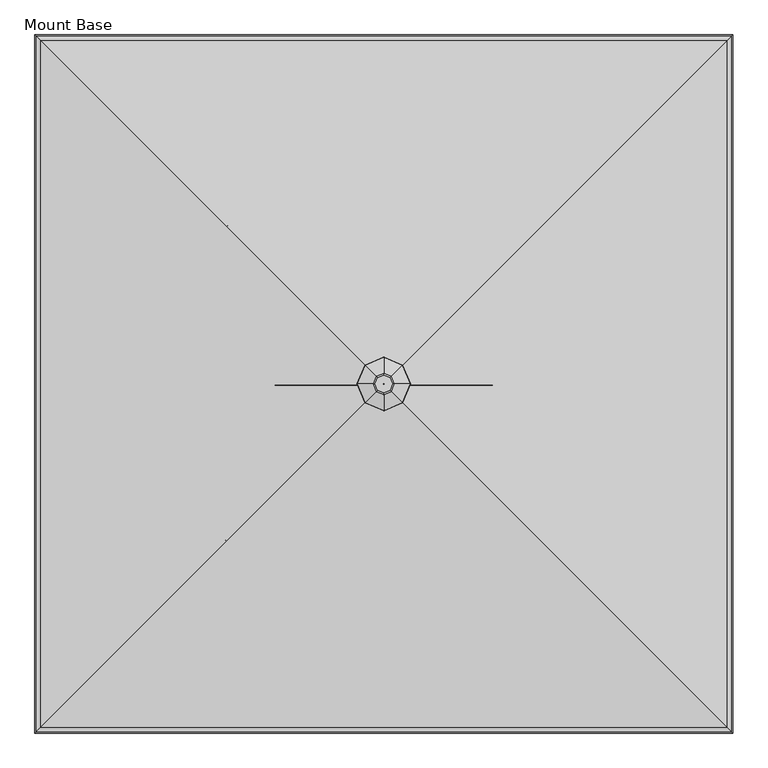
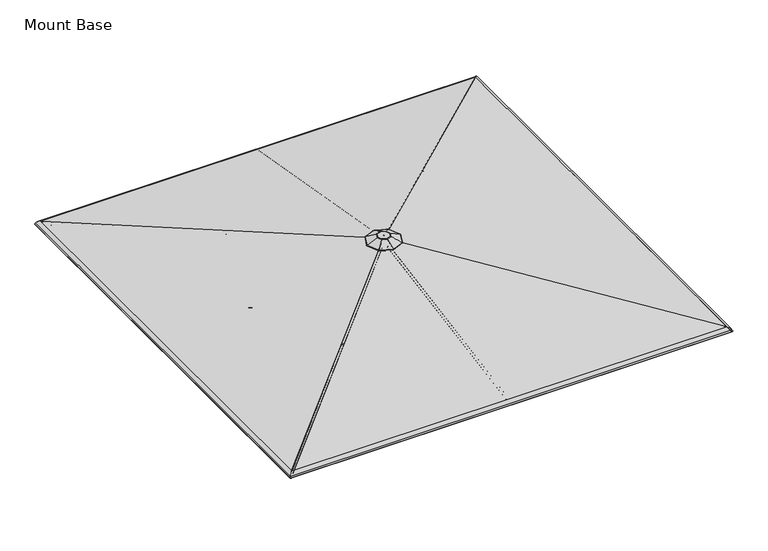
"""IFC4 building model written with IfcOpenShell, lengths in millimetres: furniture geometry, Mount Base."""

from ifc_helpers import new_model, si_unit, point, frame, frame_2d, origin, place, context, project, spatial, polyline, circle_curve, ellipse_curve, trimmed, segment, composite_curve, outline, extrude, source, transform, mapped, element, save
from ifc_brep_helpers import plane_surface, cylinder_surface, revolved_surface, advanced_brep


def mount_base_453dadfe(model_context):
    return source(origin(), model_context, "Body", "SolidModel", [
        extrude(outline(composite_curve([segment(polyline([(12.9834408, -8.4804821), (12.9834408, -22.8946348)]), True, "CONTINUOUS"), segment(trimmed(circle_curve(frame_2d((4.0299408, -22.8946348)), 8.9535), [point((12.9834408, -22.8946348))], [point((-4.9235592, -22.8946348))], False, "CARTESIAN"), True, "CONTINUOUS"), segment(polyline([(-4.9235592, -22.8946348), (-4.9235592, -8.4804821)]), True, "CONTINUOUS"), segment(trimmed(circle_curve(frame_2d((4.0299408, -8.4804821)), 8.9535), [point((-4.9235592, -8.4804821))], [point((12.9834408, -8.4804821))], False, "CARTESIAN"), True, "CONTINUOUS")], self_intersect=False)), frame((4.0299408, -59.6055274, 2259.2982868), z_axis=(0.0, -0.9628702081879168, 0.2699647424834542), x_axis=(-1.0, 0.0, 0.0)), (0.0, 0.0, 1.0), 1263.1950151),
        extrude(outline(composite_curve([segment(polyline([(12.9834408, -8.4804821), (12.9834408, -22.8946348)]), True, "CONTINUOUS"), segment(trimmed(circle_curve(frame_2d((4.0299408, -22.8946348)), 8.9535), [point((12.9834408, -22.8946348))], [point((-4.9235592, -22.8946348))], False, "CARTESIAN"), True, "CONTINUOUS"), segment(polyline([(-4.9235592, -22.8946348), (-4.9235592, -8.4804821)]), True, "CONTINUOUS"), segment(trimmed(circle_curve(frame_2d((4.0299408, -8.4804821)), 8.9535), [point((-4.9235592, -8.4804821))], [point((12.9834408, -8.4804821))], False, "CARTESIAN"), True, "CONTINUOUS")], self_intersect=False)), frame((-55.5755867, -8.0598816, 2259.2982868), z_axis=(-0.9628702081879168, 0.0, 0.2699647424834542), x_axis=(0.0, 1.0, 0.0)), (0.0, 0.0, 1.0), 1263.1950151),
        extrude(outline(composite_curve([segment(polyline([(12.9834408, -8.4804821), (12.9834408, -22.8946348)]), True, "CONTINUOUS"), segment(trimmed(circle_curve(frame_2d((4.0299408, -22.8946348)), 8.9535), [point((12.9834408, -22.8946348))], [point((-4.9235592, -22.8946348))], False, "CARTESIAN"), True, "CONTINUOUS"), segment(polyline([(-4.9235592, -22.8946348), (-4.9235592, -8.4804821)]), True, "CONTINUOUS"), segment(trimmed(circle_curve(frame_2d((4.0299408, -8.4804821)), 8.9535), [point((-4.9235592, -8.4804821))], [point((12.9834408, -8.4804821))], False, "CARTESIAN"), True, "CONTINUOUS")], self_intersect=False)), frame((-4.0299408, 51.5456459, 2259.2982868), z_axis=(0.0, 0.9628702081879168, 0.2699647424834542), x_axis=(1.0, 0.0, 0.0)), (0.0, 0.0, 1.0), 1263.1950151),
        extrude(outline(composite_curve([segment(trimmed(circle_curve(frame_2d((4.0299408, 7.3267917)), 8.9535), [point((12.9834408, 7.3267917))], [point((-4.9235592, 7.3267917))], False, "CARTESIAN"), True, "CONTINUOUS"), segment(polyline([(-4.9235592, 7.3267917), (-4.9235592, 21.7411304)]), True, "CONTINUOUS"), segment(trimmed(circle_curve(frame_2d((4.0299408, 21.7411304)), 8.9535), [point((-4.9235592, 21.7411304))], [point((12.9834408, 21.7411304))], False, "CARTESIAN"), True, "CONTINUOUS"), segment(polyline([(12.9834408, 21.7411304), (12.9834408, 7.3267917)]), True, "CONTINUOUS")], self_intersect=False)), frame((4.0299408, -1987.1148171, 2475.6924588), z_axis=(0.0, 0.9849276994863088, 0.1729665481664232), x_axis=(-1.0, 0.0, 0.0)), (0.0, 0.0, 1.0), 1958.3976179),
        extrude(outline(composite_curve([segment(trimmed(circle_curve(frame_2d((4.0299408, 7.3267917)), 8.9535), [point((12.9834408, 7.3267917))], [point((-4.9235592, 7.3267917))], False, "CARTESIAN"), True, "CONTINUOUS"), segment(polyline([(-4.9235592, 7.3267917), (-4.9235592, 21.7411304)]), True, "CONTINUOUS"), segment(trimmed(circle_curve(frame_2d((4.0299408, 21.7411304)), 8.9535), [point((-4.9235592, 21.7411304))], [point((12.9834408, 21.7411304))], False, "CARTESIAN"), True, "CONTINUOUS"), segment(polyline([(12.9834408, 21.7411304), (12.9834408, 7.3267917)]), True, "CONTINUOUS")], self_intersect=False)), frame((-1983.0848763, -8.0598816, 2475.6924588), z_axis=(0.9849276994863088, 0.0, 0.1729665481664232), x_axis=(0.0, 1.0, 0.0)), (0.0, 0.0, 1.0), 1958.3976179),
        extrude(outline(composite_curve([segment(trimmed(circle_curve(frame_2d((4.0299408, 7.3267917)), 8.9535), [point((12.9834408, 7.3267917))], [point((-4.9235592, 7.3267917))], False, "CARTESIAN"), True, "CONTINUOUS"), segment(polyline([(-4.9235592, 7.3267917), (-4.9235592, 21.7411304)]), True, "CONTINUOUS"), segment(trimmed(circle_curve(frame_2d((4.0299408, 21.7411304)), 8.9535), [point((-4.9235592, 21.7411304))], [point((12.9834408, 21.7411304))], False, "CARTESIAN"), True, "CONTINUOUS"), segment(polyline([(12.9834408, 21.7411304), (12.9834408, 7.3267917)]), True, "CONTINUOUS")], self_intersect=False)), frame((-4.0299408, 1979.0549355, 2475.6924588), z_axis=(0.0, -0.9849276994863088, 0.1729665481664232), x_axis=(1.0, 0.0, 0.0)), (0.0, 0.0, 1.0), 1958.3976179),
        extrude(outline(composite_curve([segment(trimmed(circle_curve(frame_2d((4.0299408, 7.3267917)), 8.9535), [point((12.9834408, 7.3267917))], [point((-4.9235592, 7.3267917))], False, "CARTESIAN"), True, "CONTINUOUS"), segment(polyline([(-4.9235592, 7.3267917), (-4.9235592, 21.7411304)]), True, "CONTINUOUS"), segment(trimmed(circle_curve(frame_2d((4.0299408, 21.7411304)), 8.9535), [point((-4.9235592, 21.7411304))], [point((12.9834408, 21.7411304))], False, "CARTESIAN"), True, "CONTINUOUS"), segment(polyline([(12.9834408, 21.7411304), (12.9834408, 7.3267917)]), True, "CONTINUOUS")], self_intersect=False)), frame((1983.0848763, 0.0, 2475.6924588), z_axis=(-0.9849276994863088, 0.0, 0.1729665481664232), x_axis=(0.0, -1.0, 0.0)), (0.0, 0.0, 1.0), 1958.3976179),
        extrude(outline(composite_curve([segment(polyline([(12.9834408, -8.4804821), (12.9834408, -22.8946348)]), True, "CONTINUOUS"), segment(trimmed(circle_curve(frame_2d((4.0299408, -22.8946348)), 8.9535), [point((12.9834408, -22.8946348))], [point((-4.9235592, -22.8946348))], False, "CARTESIAN"), True, "CONTINUOUS"), segment(polyline([(-4.9235592, -22.8946348), (-4.9235592, -8.4804821)]), True, "CONTINUOUS"), segment(trimmed(circle_curve(frame_2d((4.0299408, -8.4804821)), 8.9535), [point((-4.9235592, -8.4804821))], [point((12.9834408, -8.4804821))], False, "CARTESIAN"), True, "CONTINUOUS")], self_intersect=False)), frame((55.5755867, 0.0, 2259.2982868), z_axis=(0.9628702081879168, 0.0, 0.2699647424834542), x_axis=(0.0, -1.0, 0.0)), (0.0, 0.0, 1.0), 1263.1950151),
        extrude(outline(composite_curve([segment(trimmed(circle_curve(frame_2d((-0.4115857, 9.2017125)), 8.947892), [point((8.536306, 9.1998749))], [point((-9.3594775, 9.2035508))], False, "CARTESIAN"), True, "CONTINUOUS"), segment(polyline([(-9.3594775, 9.2035508), (-9.3566127, 23.1461249)]), True, "CONTINUOUS"), segment(trimmed(circle_curve(frame_2d((-0.4087216, 23.1461249)), 8.9478911), [point((-9.3566127, 23.1461249))], [point((8.5391696, 23.1457574))], False, "CARTESIAN"), True, "CONTINUOUS"), segment(polyline([(8.5391696, 23.1457574), (8.536306, 9.1998749)]), True, "CONTINUOUS")], self_intersect=False)), frame((43.1585428, -47.203831, 2259.9047905), z_axis=(0.6718267244028863, -0.6720656303125019, 0.3114107270643517), x_axis=(0.7072324735233163, 0.7069810665032634, 0.0)), (0.0, 0.0, 1.0), 1298.0805156),
        extrude(outline(composite_curve([segment(trimmed(circle_curve(frame_2d((-0.4115857, 9.2017125)), 8.947892), [point((8.5363061, 9.1998751))], [point((-9.3594775, 9.203551))], False, "CARTESIAN"), True, "CONTINUOUS"), segment(polyline([(-9.3594775, 9.203551), (-9.3566122, 23.1461249)]), True, "CONTINUOUS"), segment(trimmed(circle_curve(frame_2d((-0.4087215, 23.1461249)), 8.9478908), [point((-9.3566122, 23.1461249))], [point((8.5391693, 23.1457573))], False, "CARTESIAN"), True, "CONTINUOUS"), segment(polyline([(8.5391693, 23.1457573), (8.5363061, 9.1998751)]), True, "CONTINUOUS")], self_intersect=False)), frame((-43.1738902, -47.1884835, 2259.9047905), z_axis=(-0.6720656303125099, -0.6718267244028782, 0.3114107270643517), x_axis=(0.706981066503255, -0.7072324735233247, 0.0)), (0.0, 0.0, 1.0), 1298.0805156),
        extrude(outline(composite_curve([segment(trimmed(circle_curve(frame_2d((-0.4115858, 9.2017124)), 8.947892), [point((8.536306, 9.1998751))], [point((-9.3594776, 9.203551))], False, "CARTESIAN"), True, "CONTINUOUS"), segment(polyline([(-9.3594776, 9.203551), (-9.3566124, 23.1461249)]), True, "CONTINUOUS"), segment(trimmed(circle_curve(frame_2d((-0.4087216, 23.1461249)), 8.9478908), [point((-9.3566124, 23.1461249))], [point((8.5391692, 23.1457573))], False, "CARTESIAN"), True, "CONTINUOUS"), segment(polyline([(8.5391692, 23.1457573), (8.536306, 9.1998751)]), True, "CONTINUOUS")], self_intersect=False)), frame((-43.1585428, 39.1439494, 2259.9047905), z_axis=(-0.6718267244028835, 0.6720656303125044, 0.31141072706435163), x_axis=(-0.7072324735233191, -0.7069810665032606, 0.0)), (0.0, 0.0, 1.0), 1298.0805156),
        extrude(outline(composite_curve([segment(trimmed(circle_curve(frame_2d((-0.4115857, 9.2017125)), 8.947892), [point((8.536306, 9.1998751))], [point((-9.3594775, 9.203551))], False, "CARTESIAN"), True, "CONTINUOUS"), segment(polyline([(-9.3594775, 9.203551), (-9.3566123, 23.1461249)]), True, "CONTINUOUS"), segment(trimmed(circle_curve(frame_2d((-0.4087216, 23.1461249)), 8.9478908), [point((-9.3566123, 23.1461249))], [point((8.5391692, 23.1457573))], False, "CARTESIAN"), True, "CONTINUOUS"), segment(polyline([(8.5391692, 23.1457573), (8.536306, 9.1998751)]), True, "CONTINUOUS")], self_intersect=False)), frame((43.1738902, 39.128602, 2259.9047905), z_axis=(0.6720656303124989, 0.6718267244028892, 0.31141072706435163), x_axis=(-0.7069810665032665, 0.7072324735233132, 0.0)), (0.0, 0.0, 1.0), 1298.0805156),
        extrude(outline(composite_curve([segment(trimmed(circle_curve(frame_2d((0.0454336, -8.9661607)), 8.9535016), [point((-8.9080678, -8.9644053))], [point((8.9989351, -8.9679162))], False, "CARTESIAN"), True, "CONTINUOUS"), segment(polyline([(8.9989351, -8.9679162), (8.9961217, -23.3170803)]), True, "CONTINUOUS"), segment(trimmed(circle_curve(frame_2d((0.0426203, -23.3153248)), 8.9535016), [point((8.9961217, -23.3170803))], [point((-8.9108812, -23.3135693))], False, "CARTESIAN"), True, "CONTINUOUS"), segment(polyline([(-8.9108812, -23.3135693), (-8.9080678, -8.9644053)]), True, "CONTINUOUS")], self_intersect=False)), frame((1977.8782139, -1982.2909236, 2479.6206612), z_axis=(-0.7018853397709018, 0.7018853397709799, 0.12130102897033537), x_axis=(0.7071067811865869, 0.7071067811865083, 0.0)), (0.0, 0.0, 1.0), 2765.8331996),
        extrude(outline(composite_curve([segment(trimmed(circle_curve(frame_2d((0.0454337, -8.9661607)), 8.9535016), [point((-8.9080678, -8.9644053))], [point((8.9989351, -8.9679162))], False, "CARTESIAN"), True, "CONTINUOUS"), segment(polyline([(8.9989351, -8.9679162), (8.9961218, -23.3170803)]), True, "CONTINUOUS"), segment(trimmed(circle_curve(frame_2d((0.0426203, -23.3153248)), 8.9535016), [point((8.9961218, -23.3170803))], [point((-8.9108811, -23.3135693))], False, "CARTESIAN"), True, "CONTINUOUS"), segment(polyline([(-8.9108811, -23.3135693), (-8.9080678, -8.9644053)]), True, "CONTINUOUS")], self_intersect=False)), frame((-1978.2609828, -1981.9081546, 2479.6206612), z_axis=(0.701885339770988, 0.7018853397708935, 0.1213010289703354), x_axis=(0.7071067811864999, -0.7071067811865951, 0.0)), (0.0, 0.0, 1.0), 2765.8331996),
        extrude(outline(composite_curve([segment(trimmed(circle_curve(frame_2d((0.0454336, -8.9661607)), 8.9535016), [point((-8.9080678, -8.9644053))], [point((8.9989351, -8.9679162))], False, "CARTESIAN"), True, "CONTINUOUS"), segment(polyline([(8.9989351, -8.9679162), (8.9961217, -23.3170803)]), True, "CONTINUOUS"), segment(trimmed(circle_curve(frame_2d((0.0426202, -23.3153248)), 8.9535016), [point((8.9961217, -23.3170803))], [point((-8.9108812, -23.3135693))], False, "CARTESIAN"), True, "CONTINUOUS"), segment(polyline([(-8.9108812, -23.3135693), (-8.9080678, -8.9644053)]), True, "CONTINUOUS")], self_intersect=False)), frame((-1977.8782139, 1974.231042, 2479.6206612), z_axis=(0.7018853397708994, -0.7018853397709822, 0.1213010289703354), x_axis=(-0.7071067811865893, -0.7071067811865058, 0.0)), (0.0, 0.0, 1.0), 2765.8331996),
        extrude(outline(composite_curve([segment(trimmed(circle_curve(frame_2d((0.0454336, -8.9661607)), 8.9535016), [point((-8.9080678, -8.9644053))], [point((8.9989351, -8.9679162))], False, "CARTESIAN"), True, "CONTINUOUS"), segment(polyline([(8.9989351, -8.9679162), (8.9961217, -23.3170803)]), True, "CONTINUOUS"), segment(trimmed(circle_curve(frame_2d((0.0426203, -23.3153248)), 8.9535016), [point((8.9961217, -23.3170803))], [point((-8.9108812, -23.3135693))], False, "CARTESIAN"), True, "CONTINUOUS"), segment(polyline([(-8.9108812, -23.3135693), (-8.9080678, -8.9644053)]), True, "CONTINUOUS")], self_intersect=False)), frame((1978.2609828, 1973.8482731, 2479.6206612), z_axis=(-0.7018853397709766, -0.701885339770905, 0.12130102897033535), x_axis=(-0.7071067811865115, 0.7071067811865837, 0.0)), (0.0, 0.0, 1.0), 2765.8331996),
        advanced_brep(
        [(-40.867282, -4.0299408, 2820.0217644), (40.867282, -4.0299408, 2820.0217644), (40.867282, -4.0299408, 2283.1187105), (-40.867282, -4.0299408, 2283.1187105), (0.0, -4.0299408, 2820.0217644), (0.0, -4.0299408, 2283.1187105)],
        [
            (0, 1, circle_curve(frame((0.0, -4.0299408, 2820.0217644), z_axis=(0.0, 0.0, -1.0), x_axis=(1.0, 0.0, 0.0)), 40.867282)),
            (1, 2),
            (2, 3, circle_curve(frame((0.0, -4.0299408, 2283.1187105), z_axis=(0.0, 0.0, 1.0), x_axis=(1.0, 0.0, 0.0)), 40.867282)),
            (3, 0),
            (1, 0, circle_curve(frame((0.0, -4.0299408, 2820.0217644), z_axis=(0.0, 0.0, -1.0), x_axis=(1.0, 0.0, 0.0)), 40.867282)),
            (3, 2, circle_curve(frame((0.0, -4.0299408, 2283.1187105), z_axis=(0.0, 0.0, 1.0), x_axis=(1.0, 0.0, 0.0)), 40.867282)),
            (4, 1),
            (0, 4),
            (2, 5),
            (5, 3),
        ],
        [
            cylinder_surface(frame((0.0, -4.0299408, 3090.2909748), z_axis=(0.0, 0.0, 1.0), x_axis=(1.0, 0.0, 0.0)), 40.867282),
            plane_surface(frame((0.0, -4.0299408, 2820.0217644), z_axis=(0.0, 0.0, 1.0), x_axis=(1.0, 0.0, 0.0))),
            plane_surface(frame((0.0, -4.0299408, 2283.1187105), z_axis=(0.0, 0.0, -1.0), x_axis=(1.0, 0.0, 0.0))),
        ],
        [
            (0, [[1, 2, 3, 4]]),
            (0, [[5, -4, 6, -2]]),
            (1, [[7, -1, 8]]),
            (1, [[-8, -5, -7]]),
            (2, [[-3, 9, 10]]),
            (2, [[-6, -10, -9]]),
        ],
    ),
        advanced_brep(
        [(-58.7349315, -4.0299408, 2259.2981415), (58.7349315, -4.0299408, 2259.2981415), (51.3054317, -4.0299408, 2241.5499516), (-51.3054317, -4.0299408, 2241.5499516), (-58.7349315, -4.0299408, 2284.6981899), (58.7349315, -4.0299408, 2284.6981899), (0.0, -4.0299408, 2284.6981899), (-50.392282, -4.0299408, 2114.55), (50.392282, -4.0299408, 2114.55), (0.0, -4.0299408, 2114.55), (-58.2510683, -4.0299408, 2120.8999031), (58.2510683, -4.0299408, 2120.8999031), (-44.8554107, -4.0299408, 2241.5499516), (44.8554107, -4.0299408, 2241.5499516)],
        [
            (0, 1, circle_curve(frame((0.0, -4.0299408, 2259.2981415), z_axis=(0.0, 0.0, -1.0), x_axis=(1.0, 0.0, 0.0)), 58.7349315)),
            (1, 2, circle_curve(frame((43.6558497, -4.0299408, 2255.1812246), z_axis=(0.0, 1.0, 0.0), x_axis=(1.0, 0.0, 0.0)), 15.6309856)),
            (2, 3, circle_curve(frame((0.0, -4.0299408, 2241.5499516), z_axis=(0.0, 0.0, 1.0), x_axis=(1.0, 0.0, 0.0)), 51.3054317)),
            (3, 0, circle_curve(frame((-43.6558497, -4.0299408, 2255.1812246), z_axis=(0.0, 1.0, 0.0), x_axis=(-1.0, 0.0, 0.0)), 15.6309856)),
            (1, 0, circle_curve(frame((0.0, -4.0299408, 2259.2981415), z_axis=(0.0, 0.0, -1.0), x_axis=(1.0, 0.0, 0.0)), 58.7349315)),
            (3, 2, circle_curve(frame((0.0, -4.0299408, 2241.5499516), z_axis=(0.0, 0.0, 1.0), x_axis=(1.0, 0.0, 0.0)), 51.3054317)),
            (4, 5, circle_curve(frame((0.0, -4.0299408, 2284.6981899), z_axis=(0.0, 0.0, -1.0), x_axis=(1.0, 0.0, 0.0)), 58.7349315)),
            (5, 1, circle_curve(frame((52.8666055, -4.0299408, 2271.9981657), z_axis=(0.0, 1.0, 0.0), x_axis=(1.0, 0.0, 0.0)), 13.9902775)),
            (0, 4, circle_curve(frame((-52.8666055, -4.0299408, 2271.9981657), z_axis=(0.0, 1.0, 0.0), x_axis=(-1.0, 0.0, 0.0)), 13.9902775)),
            (5, 4, circle_curve(frame((0.0, -4.0299408, 2284.6981899), z_axis=(0.0, 0.0, -1.0), x_axis=(1.0, 0.0, 0.0)), 58.7349315)),
            (6, 5),
            (4, 6),
            (7, 8, circle_curve(frame((0.0, -4.0299408, 2114.55), z_axis=(0.0, 0.0, -1.0), x_axis=(1.0, 0.0, 0.0)), 50.392282)),
            (8, 9),
            (9, 7),
            (8, 7, circle_curve(frame((0.0, -4.0299408, 2114.55), z_axis=(0.0, 0.0, -1.0), x_axis=(1.0, 0.0, 0.0)), 50.392282)),
            (10, 11, circle_curve(frame((0.0, -4.0299408, 2120.8999031), z_axis=(0.0, 0.0, -1.0), x_axis=(1.0, 0.0, 0.0)), 58.2510683)),
            (11, 8),
            (7, 10),
            (11, 10, circle_curve(frame((0.0, -4.0299408, 2120.8999031), z_axis=(0.0, 0.0, -1.0), x_axis=(1.0, 0.0, 0.0)), 58.2510683)),
            (12, 13, circle_curve(frame((0.0, -4.0299408, 2241.5499516), z_axis=(0.0, 0.0, -1.0), x_axis=(1.0, 0.0, 0.0)), 44.8554107)),
            (13, 11),
            (10, 12),
            (13, 12, circle_curve(frame((0.0, -4.0299408, 2241.5499516), z_axis=(0.0, 0.0, -1.0), x_axis=(1.0, 0.0, 0.0)), 44.8554107)),
            (2, 13),
            (12, 3),
        ],
        [
            revolved_surface(trimmed(ellipse_curve(frame((43.6558497, -4.0299408, 2255.1812246), z_axis=(0.0, -1.0, 0.0), x_axis=(1.0, 0.0, 0.0)), 15.6309856, 15.6309856), [point((51.3054317, -4.0299408, 2241.5499516))], [point((58.7349315, -4.0299408, 2259.2981415))], True, "CARTESIAN"), (0.0, -4.0299408, 2404.1943844), (0.0, 0.0, 1.0)),
            revolved_surface(trimmed(ellipse_curve(frame((52.8666055, -4.0299408, 2271.9981657), z_axis=(0.0, -1.0, 0.0), x_axis=(1.0, 0.0, 0.0)), 13.9902775, 13.9902775), [point((58.7349315, -4.0299408, 2259.2981415))], [point((58.7349315, -4.0299408, 2284.6981899))], True, "CARTESIAN"), (0.0, -4.0299408, 2404.1943844), (0.0, 0.0, 1.0)),
            plane_surface(frame((0.0, -4.0299408, 2284.6981899), z_axis=(0.0, 0.0, 1.0), x_axis=(1.0, 0.0, 0.0))),
            plane_surface(frame((0.0, -4.0299408, 2114.55), z_axis=(0.0, 0.0, -1.0), x_axis=(1.0, 0.0, 0.0))),
            revolved_surface(polyline([(50.392282, -4.0299408, 2114.55), (58.2510683, -4.0299408, 2120.8999031)]), (0.0, -4.0299408, 2404.1943844), (0.0, 0.0, 1.0)),
            revolved_surface(polyline([(58.2510683, -4.0299408, 2120.8999031), (44.8554107, -4.0299408, 2241.5499516)]), (0.0, -4.0299408, 2404.1943844), (0.0, 0.0, 1.0)),
            plane_surface(frame((0.0, -4.0299408, 2241.5499516), z_axis=(0.0, 0.0, -1.0), x_axis=(1.0, 0.0, 0.0))),
        ],
        [
            (0, [[1, 2, 3, 4]]),
            (0, [[5, -4, 6, -2]]),
            (1, [[7, 8, -1, 9]]),
            (1, [[10, -9, -5, -8]]),
            (2, [[11, -7, 12]]),
            (2, [[-12, -10, -11]]),
            (3, [[13, 14, 15]]),
            (3, [[16, -15, -14]]),
            (4, [[17, 18, -13, 19]]),
            (4, [[20, -19, -16, -18]]),
            (5, [[21, 22, -17, 23]]),
            (5, [[24, -23, -20, -22]]),
            (6, [[-3, 25, -21, 26]]),
            (6, [[-6, -26, -24, -25]]),
        ],
    ),
        advanced_brep(
        [(-63.1096697, -4.0299408, 2819.4), (63.1096697, -4.0299408, 2819.4), (0.0, -4.0299408, 2819.4), (-63.1096697, -4.0299408, 2844.8), (63.1096697, -4.0299408, 2844.8), (0.0, -4.0299408, 2844.8)],
        [
            (0, 1, circle_curve(frame((0.0, -4.0299408, 2819.4), z_axis=(0.0, 0.0, -1.0), x_axis=(1.0, 0.0, 0.0)), 63.1096697)),
            (1, 2),
            (2, 0),
            (1, 0, circle_curve(frame((0.0, -4.0299408, 2819.4), z_axis=(0.0, 0.0, -1.0), x_axis=(1.0, 0.0, 0.0)), 63.1096697)),
            (3, 4, circle_curve(frame((0.0, -4.0299408, 2844.8), z_axis=(0.0, 0.0, -1.0), x_axis=(1.0, 0.0, 0.0)), 63.1096697)),
            (4, 1, circle_curve(frame((63.1096697, -4.0299408, 2832.1), z_axis=(0.0, 1.0, 0.0), x_axis=(1.0, 0.0, 0.0)), 12.7)),
            (0, 3, circle_curve(frame((-63.1096697, -4.0299408, 2832.1), z_axis=(0.0, 1.0, 0.0), x_axis=(-1.0, 0.0, 0.0)), 12.7)),
            (4, 3, circle_curve(frame((0.0, -4.0299408, 2844.8), z_axis=(0.0, 0.0, -1.0), x_axis=(1.0, 0.0, 0.0)), 63.1096697)),
            (5, 4),
            (3, 5),
        ],
        [
            plane_surface(frame((0.0, -4.0299408, 2819.4), z_axis=(0.0, 0.0, -1.0), x_axis=(1.0, 0.0, 0.0))),
            revolved_surface(trimmed(ellipse_curve(frame((63.1096697, -4.0299408, 2832.1), z_axis=(0.0, -1.0, 0.0), x_axis=(1.0, 0.0, 0.0)), 12.7, 12.7), [point((63.1096697, -4.0299408, 2819.4))], [point((63.1096697, -4.0299408, 2844.8))], True, "CARTESIAN"), (0.0, -4.0299408, 2876.5500484), (0.0, 0.0, 1.0)),
            plane_surface(frame((0.0, -4.0299408, 2844.8), z_axis=(0.0, 0.0, 1.0), x_axis=(1.0, 0.0, 0.0))),
        ],
        [
            (0, [[1, 2, 3]]),
            (0, [[4, -3, -2]]),
            (1, [[5, 6, -1, 7]]),
            (1, [[8, -7, -4, -6]]),
            (2, [[9, -5, 10]]),
            (2, [[-10, -8, -9]]),
        ],
    ),
        advanced_brep(
        [(51.4758641, -4.0299408, 2890.0040106), (35.9138192, 31.8838784, 2890.0040106), (0.0, 47.4459233, 2890.0040106), (-35.9138192, 31.8838784, 2890.0040106), (-51.4758641, -4.0299408, 2890.0040106), (-35.9138192, -39.94376, 2890.0040106), (0.0, -55.5058049, 2890.0040106), (35.9138192, -39.94376, 2890.0040106), (-0.2799193, -3.7500215, 2890.0040106), (0.0, -3.6287279, 2890.0040106), (0.2799193, -3.7500215, 2890.0040106), (0.4012128, -4.0299408, 2890.0040106), (0.2799193, -4.30986, 2890.0040106), (0.0, -4.4311536, 2890.0040106), (-0.2799193, -4.30986, 2890.0040106), (-0.4012128, -4.0299408, 2890.0040106), (-19.7877165, 15.7577757, 2875.4859989), (0.0, 24.3321167, 2875.4859989), (19.7877165, 15.7577757, 2875.4859989), (28.3620575, -4.0299408, 2875.4859989), (19.7877165, -23.8176572, 2875.4859989), (0.0, -32.3919982, 2875.4859989), (-19.7877165, -23.8176572, 2875.4859989), (-28.3620575, -4.0299408, 2875.4859989), (0.4012128, -4.0299408, 2875.4859989), (0.2799193, -3.7500215, 2875.4859989), (0.0, -3.6287279, 2875.4859989), (-0.2799193, -3.7500215, 2875.4859989), (-0.4012128, -4.0299408, 2875.4859989), (-0.2799193, -4.30986, 2875.4859989), (0.0, -4.4311536, 2875.4859989), (0.2799193, -4.30986, 2875.4859989), (-106.9123029, 102.8823621, 2842.561865), (-153.2391514, -4.0299408, 2842.561865), (-106.9123029, -110.9422437, 2842.561865), (0.0, -157.2690921, 2842.561865), (106.9123029, -110.9422437, 2842.561865), (153.2391514, -4.0299408, 2842.561865), (106.9123029, 102.8823621, 2842.561865), (0.0, 149.2092106, 2842.561865), (-107.6793415, 103.6494007, 2845.1373362), (-154.3385603, -4.0299408, 2845.1373362), (-43.6579551, 39.6280143, 2887.5822171), (-62.5756606, -4.0299408, 2887.5822171), (-107.6793415, -111.7092823, 2845.1373362), (-43.6579551, -47.6878958, 2887.5822171), (0.0, -158.3685011, 2845.1373362), (0.0, -66.6056014, 2887.5822171), (107.6793415, -111.7092823, 2845.1373362), (43.6579551, -47.6878958, 2887.5822171), (154.3385603, -4.0299408, 2845.1373362), (62.5756606, -4.0299408, 2887.5822171), (107.6793415, 103.6494007, 2845.1373362), (43.6579551, 39.6280143, 2887.5822171), (0.0, 150.3086195, 2845.1373362), (0.0, 58.5457199, 2887.5822171)],
        [
            (0, 1),
            (1, 2),
            (2, 3),
            (3, 4),
            (4, 5),
            (5, 6),
            (6, 7),
            (7, 0),
            (8, 9),
            (9, 10),
            (10, 11),
            (11, 12),
            (12, 13),
            (13, 14),
            (14, 15),
            (15, 8),
            (16, 17),
            (17, 18),
            (18, 19),
            (19, 20),
            (20, 21),
            (21, 22),
            (22, 23),
            (23, 16),
            (24, 25),
            (25, 26),
            (26, 27),
            (27, 28),
            (28, 29),
            (29, 30),
            (30, 31),
            (31, 24),
            (27, 8),
            (15, 28),
            (14, 29),
            (13, 30),
            (12, 31),
            (11, 24),
            (10, 25),
            (9, 26),
            (32, 16),
            (23, 33),
            (33, 32),
            (22, 34),
            (34, 33),
            (21, 35),
            (35, 34),
            (20, 36),
            (36, 35),
            (19, 37),
            (37, 36),
            (18, 38),
            (38, 37),
            (17, 39),
            (39, 38),
            (32, 39),
            (40, 32, ellipse_curve(frame((-107.203988, 103.1740472, 2843.8969069), z_axis=(-0.7071067811865479, -0.707106781186547, 0.0), x_axis=(-0.7071067811865467, 0.7071067811865482, 0.0)), 1.4936871, 1.3890625)),
            (33, 41, ellipse_curve(frame((-153.6572284, -4.0299408, 2843.8969069), z_axis=(0.0, 0.9999999999999999, 0.0), x_axis=(1.0, 0.0, 0.0)), 1.5138634, 1.3890625)),
            (41, 40),
            (42, 40),
            (41, 43),
            (43, 42),
            (3, 42, ellipse_curve(frame((-35.9138192, 31.8838784, 2867.3773723), z_axis=(-0.7071067811865479, -0.707106781186547, 0.0), x_axis=(-0.7071067811865467, 0.7071067811865483, 0.0)), 24.3308838, 22.6266383)),
            (43, 4, ellipse_curve(frame((-51.4758641, -4.0299408, 2867.3773723), z_axis=(0.0, 0.9999999999999999, 0.0), x_axis=(1.0, 0.0, 0.0)), 24.6595383, 22.6266383)),
            (34, 44, ellipse_curve(frame((-107.203988, -111.2339288, 2843.8969069), z_axis=(-0.707106781186547, 0.707106781186548, 0.0), x_axis=(0.7071067811865479, 0.707106781186547, 0.0)), 1.4936871, 1.3890625)),
            (44, 41),
            (44, 45),
            (45, 43),
            (45, 5, ellipse_curve(frame((-35.9138192, -39.94376, 2867.3773723), z_axis=(-0.707106781186547, 0.707106781186548, 0.0), x_axis=(0.7071067811865479, 0.707106781186547, 0.0)), 24.3308838, 22.6266383)),
            (35, 46, ellipse_curve(frame((0.0, -157.6871692, 2843.8969069), z_axis=(-0.9999999999999999, 0.0, 0.0), x_axis=(0.0, 1.0, 0.0)), 1.5138634, 1.3890625)),
            (46, 44),
            (46, 47),
            (47, 45),
            (47, 6, ellipse_curve(frame((0.0, -55.5058049, 2867.3773723), z_axis=(-0.9999999999999999, 0.0, 0.0), x_axis=(0.0, 1.0, 0.0)), 24.6595383, 22.6266383)),
            (36, 48, ellipse_curve(frame((107.203988, -111.2339288, 2843.8969069), z_axis=(-0.707106781186548, -0.707106781186547, 0.0), x_axis=(-0.7071067811865469, 0.7071067811865481, 0.0)), 1.4936871, 1.3890625)),
            (48, 46),
            (48, 49),
            (49, 47),
            (49, 7, ellipse_curve(frame((35.9138192, -39.94376, 2867.3773723), z_axis=(-0.707106781186548, -0.707106781186547, 0.0), x_axis=(-0.7071067811865469, 0.7071067811865481, 0.0)), 24.3308838, 22.6266383)),
            (37, 50, ellipse_curve(frame((153.6572284, -4.0299408, 2843.8969069), z_axis=(0.0, -1.0, 0.0), x_axis=(-1.0, 0.0, 0.0)), 1.5138634, 1.3890625)),
            (50, 48),
            (50, 51),
            (51, 49),
            (51, 0, ellipse_curve(frame((51.4758641, -4.0299408, 2867.3773723), z_axis=(0.0, -1.0, 0.0), x_axis=(-1.0, 0.0, 0.0)), 24.6595383, 22.6266383)),
            (38, 52, ellipse_curve(frame((107.203988, 103.1740472, 2843.8969069), z_axis=(0.707106781186547, -0.707106781186548, 0.0), x_axis=(-0.7071067811865478, -0.7071067811865471, 0.0)), 1.4936871, 1.3890625)),
            (52, 50),
            (52, 53),
            (53, 51),
            (53, 1, ellipse_curve(frame((35.9138192, 31.8838784, 2867.3773723), z_axis=(0.707106781186547, -0.707106781186548, 0.0), x_axis=(-0.7071067811865478, -0.7071067811865471, 0.0)), 24.3308838, 22.6266383)),
            (39, 54, ellipse_curve(frame((0.0, 149.6272876, 2843.8969069), z_axis=(0.9999999999999999, 0.0, 0.0), x_axis=(0.0, -1.0, 0.0)), 1.5138634, 1.3890625)),
            (54, 52),
            (54, 55),
            (55, 53),
            (55, 2, ellipse_curve(frame((0.0, 47.4459233, 2867.3773723), z_axis=(0.9999999999999999, 0.0, 0.0), x_axis=(0.0, -1.0, 0.0)), 24.6595383, 22.6266383)),
            (40, 54),
            (42, 55),
        ],
        [
            plane_surface(frame((0.0, 47.4459233, 2890.0040106), z_axis=(0.0, 0.0, 1.0), x_axis=(-0.9175613115760063, -0.3975943152246006, 0.0))),
            plane_surface(frame((0.0, -3.6287279, 2875.4859989), z_axis=(0.0, 0.0, -1.0), x_axis=(-0.9175613115759825, -0.39759431522465544, 0.0))),
            plane_surface(frame((-0.2799193, -3.7500215, 2890.0040106), z_axis=(0.9175613115760287, -0.39759431522454897, 0.0), x_axis=(-0.39759431522454897, -0.9175613115760287, 0.0))),
            plane_surface(frame((-0.4012128, -4.0299408, 2890.0040106), z_axis=(0.9175613115760101, 0.39759431522459215, 0.0), x_axis=(0.39759431522459215, -0.9175613115760101, 0.0))),
            plane_surface(frame((-0.2799193, -4.30986, 2890.0040106), z_axis=(0.3975943152246027, 0.9175613115760054, 0.0), x_axis=(0.9175613115760054, -0.3975943152246027, 0.0))),
            plane_surface(frame((0.0, -4.4311536, 2890.0040106), z_axis=(-0.39759431522465355, 0.9175613115759834, 0.0), x_axis=(0.9175613115759834, 0.39759431522465355, 0.0))),
            plane_surface(frame((0.2799193, -4.30986, 2890.0040106), z_axis=(-0.9175613115760223, 0.3975943152245637, 0.0), x_axis=(0.3975943152245637, 0.9175613115760223, 0.0))),
            plane_surface(frame((0.4012128, -4.0299408, 2890.0040106), z_axis=(-0.9175613115760138, -0.39759431522458333, 0.0), x_axis=(-0.39759431522458333, 0.9175613115760138, 0.0))),
            plane_surface(frame((0.2799193, -3.7500215, 2890.0040106), z_axis=(-0.3975943152245585, -0.9175613115760246, 0.0), x_axis=(-0.9175613115760246, 0.3975943152245585, 0.0))),
            plane_surface(frame((0.0, -3.6287279, 2890.0040106), z_axis=(0.3975943152246166, -0.9175613115759995, 0.0), x_axis=(-0.9175613115759995, -0.3975943152246166, 0.0))),
            plane_surface(frame((-19.7877165, 15.7577757, 2875.4859989), z_axis=(0.2533988855278373, -0.10980187928485077, -0.961110062437578), x_axis=(-0.3975943152246025, -0.9175613115760055, 0.0))),
            plane_surface(frame((-28.3620575, -4.0299408, 2875.4859989), z_axis=(0.25339888552783774, 0.1098018792848499, -0.9611100624375779), x_axis=(0.39759431522459926, -0.9175613115760068, 0.0))),
            plane_surface(frame((-19.7877165, -23.8176572, 2875.4859989), z_axis=(0.10980187928485048, 0.2533988855278374, -0.961110062437578), x_axis=(0.917561311576006, -0.3975943152246014, 0.0))),
            plane_surface(frame((0.0, -32.3919982, 2875.4859989), z_axis=(-0.10980187928485045, 0.2533988855278375, -0.9611100624375782), x_axis=(0.9175613115760062, 0.39759431522460126, 0.0))),
            plane_surface(frame((19.7877165, -23.8176572, 2875.4859989), z_axis=(-0.2533988855278373, 0.109801879284851, -0.9611100624375779), x_axis=(0.3975943152246032, 0.9175613115760052, 0.0))),
            plane_surface(frame((28.3620575, -4.0299408, 2875.4859989), z_axis=(-0.25339888552783757, -0.10980187928485018, -0.961110062437578), x_axis=(-0.3975943152246003, 0.9175613115760065, 0.0))),
            plane_surface(frame((19.7877165, 15.7577757, 2875.4859989), z_axis=(-0.10980187928485058, -0.2533988855278374, -0.9611100624375781), x_axis=(-0.917561311576006, 0.39759431522460176, 0.0))),
            plane_surface(frame((0.0, 24.3321167, 2875.4859989), z_axis=(0.1098018792848505, -0.2533988855278374, -0.9611100624375781), x_axis=(-0.917561311576006, -0.39759431522460154, 0.0))),
            cylinder_surface(frame((-107.3260139, 102.892438, 2843.8969069), z_axis=(0.3975943152246023, 0.9175613115760056, 0.0), x_axis=(0.9175613115760056, -0.3975943152246023, 0.0)), 1.3890625),
            plane_surface(frame((-107.6793415, 103.6494007, 2845.1373362), z_axis=(-0.4130359930210966, 0.1789752474701297, 0.8929552784222079), x_axis=(-0.39759431522460226, -0.9175613115760056, 0.0))),
            cylinder_surface(frame((-21.2976063, 65.6149227, 2867.3773723), z_axis=(0.39759431522460237, 0.9175613115760056, 0.0), x_axis=(0.9175613115760056, -0.39759431522460237, 0.0)), 22.6266383),
            cylinder_surface(frame((-153.5234893, -4.3385816, 2843.8969069), z_axis=(-0.39759431522459965, 0.9175613115760068, 0.0), x_axis=(0.9175613115760068, 0.39759431522459965, 0.0)), 1.3890625),
            plane_surface(frame((-154.3385603, -4.0299408, 2845.1373362), z_axis=(-0.4130359930210971, -0.1789752474701285, 0.8929552784222078), x_axis=(0.39759431522459965, -0.9175613115760067, 0.0))),
            cylinder_surface(frame((-67.4950817, 32.9389337, 2867.3773723), z_axis=(-0.39759431522459965, 0.9175613115760068, 0.0), x_axis=(0.9175613115760068, 0.39759431522459965, 0.0)), 22.6266383),
            cylinder_surface(frame((-106.9223788, -111.3559546, 2843.8969069), z_axis=(-0.9175613115760063, 0.3975943152246009, 0.0), x_axis=(0.3975943152246009, 0.9175613115760063, 0.0)), 1.3890625),
            plane_surface(frame((-107.6793415, -111.7092823, 2845.1373362), z_axis=(-0.17897524747012897, -0.4130359930210967, 0.8929552784222078), x_axis=(0.9175613115760062, -0.3975943152246008, 0.0))),
            cylinder_surface(frame((-69.6448635, -25.3275471, 2867.3773723), z_axis=(-0.9175613115760063, 0.3975943152246009, 0.0), x_axis=(0.3975943152246009, 0.9175613115760063, 0.0)), 22.6266383),
            cylinder_surface(frame((0.3086408, -157.5534301, 2843.8969069), z_axis=(-0.9175613115760062, -0.3975943152246011, 0.0), x_axis=(-0.3975943152246011, 0.9175613115760062, 0.0)), 1.3890625),
            plane_surface(frame((0.0, -158.3685011, 2845.1373362), z_axis=(0.17897524747012913, -0.41303599302109667, 0.8929552784222079), x_axis=(0.9175613115760061, 0.3975943152246012, 0.0))),
            cylinder_surface(frame((-36.9688745, -71.5250225, 2867.3773723), z_axis=(-0.9175613115760062, -0.3975943152246011, 0.0), x_axis=(-0.3975943152246011, 0.9175613115760062, 0.0)), 22.6266383),
            cylinder_surface(frame((107.3260139, -110.9523195, 2843.8969069), z_axis=(-0.3975943152246023, -0.9175613115760057, 0.0), x_axis=(-0.9175613115760057, 0.3975943152246023, 0.0)), 1.3890625),
            plane_surface(frame((107.6793415, -111.7092823, 2845.1373362), z_axis=(0.41303599302109645, -0.1789752474701296, 0.8929552784222079), x_axis=(0.39759431522460226, 0.9175613115760056, 0.0))),
            cylinder_surface(frame((21.2976063, -73.6748043, 2867.3773723), z_axis=(-0.3975943152246023, -0.9175613115760057, 0.0), x_axis=(-0.9175613115760057, 0.3975943152246023, 0.0)), 22.6266383),
            cylinder_surface(frame((153.5234893, -3.7213, 2843.8969069), z_axis=(0.39759431522459965, -0.9175613115760066, 0.0), x_axis=(-0.9175613115760066, -0.39759431522459965, 0.0)), 1.3890625),
            plane_surface(frame((154.3385603, -4.0299408, 2845.1373362), z_axis=(0.4130359930210969, 0.1789752474701285, 0.8929552784222079), x_axis=(-0.3975943152245998, 0.9175613115760067, 0.0))),
            cylinder_surface(frame((67.4950817, -40.9988153, 2867.3773723), z_axis=(0.39759431522459965, -0.9175613115760066, 0.0), x_axis=(-0.9175613115760066, -0.39759431522459965, 0.0)), 22.6266383),
            cylinder_surface(frame((106.9223788, 103.2960731, 2843.8969069), z_axis=(0.9175613115760062, -0.3975943152246008, 0.0), x_axis=(-0.3975943152246008, -0.9175613115760062, 0.0)), 1.3890625),
            plane_surface(frame((107.6793415, 103.6494007, 2845.1373362), z_axis=(0.17897524747012897, 0.41303599302109656, 0.892955278422208), x_axis=(-0.9175613115760062, 0.397594315224601, 0.0))),
            cylinder_surface(frame((69.6448635, 17.2676655, 2867.3773723), z_axis=(0.9175613115760062, -0.3975943152246008, 0.0), x_axis=(-0.3975943152246008, -0.9175613115760062, 0.0)), 22.6266383),
            cylinder_surface(frame((-0.3086408, 149.4935485, 2843.8969069), z_axis=(0.9175613115760061, 0.39759431522460115, 0.0), x_axis=(0.39759431522460115, -0.9175613115760061, 0.0)), 1.3890625),
            plane_surface(frame((0.0, 150.3086195, 2845.1373362), z_axis=(-0.17897524747012894, 0.41303599302109656, 0.8929552784222079), x_axis=(-0.9175613115760062, -0.3975943152246009, 0.0))),
            cylinder_surface(frame((36.9688745, 63.4651409, 2867.3773723), z_axis=(0.9175613115760061, 0.39759431522460115, 0.0), x_axis=(0.39759431522460115, -0.9175613115760061, 0.0)), 22.6266383),
        ],
        [
            (0, [[1, 2, 3, 4, 5, 6, 7, 8], [9, 10, 11, 12, 13, 14, 15, 16]]),
            (1, [[17, 18, 19, 20, 21, 22, 23, 24], [25, 26, 27, 28, 29, 30, 31, 32]]),
            (2, [[33, -16, 34, -28]]),
            (3, [[-34, -15, 35, -29]]),
            (4, [[-35, -14, 36, -30]]),
            (5, [[-36, -13, 37, -31]]),
            (6, [[-37, -12, 38, -32]]),
            (7, [[-38, -11, 39, -25]]),
            (8, [[-39, -10, 40, -26]]),
            (9, [[-40, -9, -33, -27]]),
            (10, [[41, -24, 42, 43]]),
            (11, [[-42, -23, 44, 45]]),
            (12, [[-44, -22, 46, 47]]),
            (13, [[-46, -21, 48, 49]]),
            (14, [[-48, -20, 50, 51]]),
            (15, [[-50, -19, 52, 53]]),
            (16, [[-52, -18, 54, 55]]),
            (17, [[-54, -17, -41, 56]]),
            (18, [[57, -43, 58, 59]]),
            (19, [[60, -59, 61, 62]]),
            (20, [[63, -62, 64, -4]]),
            (21, [[-58, -45, 65, 66]]),
            (22, [[-61, -66, 67, 68]]),
            (23, [[-64, -68, 69, -5]]),
            (24, [[-65, -47, 70, 71]]),
            (25, [[-67, -71, 72, 73]]),
            (26, [[-69, -73, 74, -6]]),
            (27, [[-70, -49, 75, 76]]),
            (28, [[-72, -76, 77, 78]]),
            (29, [[-74, -78, 79, -7]]),
            (30, [[-75, -51, 80, 81]]),
            (31, [[-77, -81, 82, 83]]),
            (32, [[-79, -83, 84, -8]]),
            (33, [[-80, -53, 85, 86]]),
            (34, [[-82, -86, 87, 88]]),
            (35, [[-84, -88, 89, -1]]),
            (36, [[-85, -55, 90, 91]]),
            (37, [[-87, -91, 92, 93]]),
            (38, [[-89, -93, 94, -2]]),
            (39, [[-90, -56, -57, 95]]),
            (40, [[-92, -95, -60, 96]]),
            (41, [[-94, -96, -63, -3]]),
        ],
    ),
        advanced_brep(
        [(2018.5286889, 2014.3096231, 2474.2416479), (2015.7156102, 2011.4965443, 2494.1688478), (2015.7156102, -2019.5564259, 2494.1688478), (2018.5286889, -2022.3695047, 2474.2416479), (2014.1371368, 2009.918071, 2475.4846027), (2014.1371368, -2017.9779525, 2475.4846027), (2011.8397444, 2007.6206785, 2491.7587998), (2011.8397444, -2015.6805601, 2491.7587998), (0.6664243, -3.5526416, 2852.66556), (0.6664243, -3.5526416, 2848.1014975), (0.6664243, -4.50724, 2848.1014975), (0.6664243, -4.50724, 2852.66556), (-2018.5286889, -2022.3695047, 2474.2416479), (-2014.1371368, -2017.9779525, 2475.4846027), (-2011.8397444, -2015.6805601, 2491.7587998), (1984.6456555, -1988.4864712, 2510.1213477), (-1984.6456555, -1988.4864712, 2510.1213477), (54.34161, -58.1824257, 2848.1014975), (-54.34161, -58.1824257, 2848.1014975), (-0.6664243, -4.50724, 2848.1014975), (-0.6664243, -4.50724, 2852.66556), (1985.43281, -1989.2736257, 2514.6170183), (54.7381583, -58.578974, 2852.66556), (-54.7381583, -58.578974, 2852.66556), (-1985.43281, -1989.2736257, 2514.6170183), (-2015.7156102, -2019.5564259, 2494.1688478), (-2018.5286889, 2014.3096231, 2474.2416479), (-2014.1371368, 2009.918071, 2475.4846027), (-2011.8397444, 2007.6206785, 2491.7587998), (-1984.6456555, 1980.4265897, 2510.1213477), (-54.34161, 50.1225441, 2848.1014975), (-0.6664243, -3.5526416, 2848.1014975), (-0.6664243, -3.5526416, 2852.66556), (-54.7381583, 50.5190925, 2852.66556), (-1985.43281, 1981.2137441, 2514.6170183), (-2015.7156102, 2011.4965443, 2494.1688478), (1984.6456555, 1980.4265897, 2510.1213477), (54.34161, 50.1225441, 2848.1014975), (54.7381583, 50.5190925, 2852.66556), (1985.43281, 1981.2137441, 2514.6170183)],
        [
            (0, 1, ellipse_curve(frame((1994.5726879, 1990.353622, 2481.0219901), z_axis=(0.707106781186548, -0.707106781186547, 0.0), x_axis=(0.707106781186547, 0.707106781186548, 0.0)), 35.2097438, 24.8970486)),
            (1, 2),
            (2, 3, ellipse_curve(frame((1994.5726879, -1998.4135036, 2481.0219901), z_axis=(0.7071067811865493, 0.7071067811865456, 0.0), x_axis=(-0.7071067811865455, 0.7071067811865496, 0.0)), 35.2097438, 24.8970486)),
            (3, 0),
            (4, 0, ellipse_curve(frame((2016.3329129, 2012.113847, 2474.8631253), z_axis=(0.707106781186548, -0.707106781186547, 0.0), x_axis=(0.707106781186547, 0.707106781186548, 0.0)), 3.2272795, 2.2820312)),
            (3, 5, ellipse_curve(frame((2016.3329129, -2020.1737286, 2474.8631253), z_axis=(0.7071067811865493, 0.7071067811865456, 0.0), x_axis=(-0.7071067811865455, 0.7071067811865496, 0.0)), 3.2272795, 2.2820312)),
            (5, 4),
            (6, 4, ellipse_curve(frame((1994.5726879, 1990.353622, 2481.0219901), z_axis=(-0.707106781186548, 0.707106781186547, 0.0), x_axis=(-0.707106781186547, -0.707106781186548, 0.0)), 28.7551847, 20.3329861)),
            (5, 7, ellipse_curve(frame((1994.5726879, -1998.4135036, 2481.0219901), z_axis=(-0.7071067811865493, -0.7071067811865456, 0.0), x_axis=(0.7071067811865455, -0.7071067811865496, 0.0)), 28.7551847, 20.3329861)),
            (7, 6),
            (8, 9),
            (9, 10),
            (10, 11),
            (11, 8),
            (3, 12),
            (12, 13, ellipse_curve(frame((-2016.3329129, -2020.1737286, 2474.8631253), z_axis=(0.7071067811865468, -0.7071067811865482, 0.0), x_axis=(0.7071067811865482, 0.7071067811865468, 0.0)), 3.2272795, 2.2820312)),
            (13, 5),
            (13, 14, ellipse_curve(frame((-1994.5726879, -1998.4135036, 2481.0219901), z_axis=(-0.7071067811865468, 0.7071067811865482, 0.0), x_axis=(-0.7071067811865482, -0.7071067811865468, 0.0)), 28.7551847, 20.3329861)),
            (14, 7),
            (15, 7, ellipse_curve(frame((1977.7152739, -1981.5560896, 2470.5398998), z_axis=(0.7071067811865493, 0.7071067811865456, 0.0), x_axis=(-0.7071067811865458, 0.7071067811865492, 0.0)), 56.8281833, 40.1835938)),
            (14, 16, ellipse_curve(frame((-1977.7152739, -1981.5560896, 2470.5398998), z_axis=(-0.7071067811865468, 0.7071067811865482, 0.0), x_axis=(-0.7071067811865482, -0.7071067811865468, 0.0)), 56.8281833, 40.1835938)),
            (16, 15),
            (17, 15),
            (16, 18),
            (18, 17),
            (10, 19),
            (19, 20),
            (20, 11),
            (21, 22),
            (22, 23),
            (23, 24),
            (24, 21),
            (2, 21, ellipse_curve(frame((1977.7152739, -1981.5560896, 2470.5398998), z_axis=(-0.7071067811865493, -0.7071067811865456, 0.0), x_axis=(0.7071067811865458, -0.7071067811865492, 0.0)), 63.2827424, 44.7476563)),
            (24, 25, ellipse_curve(frame((-1977.7152739, -1981.5560896, 2470.5398998), z_axis=(0.7071067811865468, -0.7071067811865482, 0.0), x_axis=(0.7071067811865482, 0.7071067811865468, 0.0)), 63.2827424, 44.7476563)),
            (25, 2),
            (25, 12, ellipse_curve(frame((-1994.5726879, -1998.4135036, 2481.0219901), z_axis=(0.7071067811865468, -0.7071067811865482, 0.0), x_axis=(0.7071067811865482, 0.7071067811865468, 0.0)), 35.2097438, 24.8970486)),
            (12, 26),
            (26, 27, ellipse_curve(frame((-2016.3329129, 2012.113847, 2474.8631253), z_axis=(-0.7071067811865459, -0.7071067811865491, 0.0), x_axis=(0.7071067811865491, -0.7071067811865458, 0.0)), 3.2272795, 2.2820312)),
            (27, 13),
            (27, 28, ellipse_curve(frame((-1994.5726879, 1990.353622, 2481.0219901), z_axis=(0.7071067811865459, 0.7071067811865491, 0.0), x_axis=(-0.7071067811865491, 0.7071067811865458, 0.0)), 28.7551847, 20.3329861)),
            (28, 14),
            (28, 29, ellipse_curve(frame((-1977.7152739, 1973.496208, 2470.5398998), z_axis=(0.7071067811865459, 0.7071067811865491, 0.0), x_axis=(-0.7071067811865491, 0.7071067811865458, 0.0)), 56.8281833, 40.1835938)),
            (29, 16),
            (29, 30),
            (30, 18),
            (19, 31),
            (31, 32),
            (32, 20),
            (23, 33),
            (33, 34),
            (34, 24),
            (34, 35, ellipse_curve(frame((-1977.7152739, 1973.496208, 2470.5398998), z_axis=(-0.7071067811865459, -0.7071067811865491, 0.0), x_axis=(0.7071067811865491, -0.7071067811865458, 0.0)), 63.2827424, 44.7476563)),
            (35, 25),
            (35, 26, ellipse_curve(frame((-1994.5726879, 1990.353622, 2481.0219901), z_axis=(-0.7071067811865459, -0.7071067811865491, 0.0), x_axis=(0.7071067811865491, -0.7071067811865458, 0.0)), 35.2097438, 24.8970486)),
            (26, 0),
            (4, 27),
            (6, 28),
            (6, 36, ellipse_curve(frame((1977.7152739, 1973.496208, 2470.5398998), z_axis=(0.707106781186548, -0.707106781186547, 0.0), x_axis=(0.707106781186547, 0.707106781186548, 0.0)), 56.8281833, 40.1835938)),
            (36, 29),
            (36, 37),
            (37, 30),
            (37, 17),
            (9, 31),
            (8, 32),
            (38, 33),
            (22, 38),
            (38, 39),
            (39, 34),
            (39, 1, ellipse_curve(frame((1977.7152739, 1973.496208, 2470.5398998), z_axis=(-0.707106781186548, 0.707106781186547, 0.0), x_axis=(-0.707106781186547, -0.707106781186548, 0.0)), 63.2827424, 44.7476563)),
            (1, 35),
            (15, 36),
            (21, 39),
        ],
        [
            cylinder_surface(frame((1994.5726879, 2022.953309, 2481.0219901), z_axis=(0.0, 1.0, 0.0), x_axis=(1.0, 0.0, 0.0)), 24.8970486),
            cylinder_surface(frame((2016.3329129, 2022.953309, 2474.8631253), z_axis=(0.0, 1.0, 0.0), x_axis=(1.0, 0.0, 0.0)), 2.2820312),
            revolved_surface(polyline([(2014.9056739999999, -2018.7464896956421, 2481.0219901), (2014.9056739999999, 2010.6866080956418, 2481.0219901)]), (1994.5726879, 2022.953309, 2481.0219901), (0.0, -1.0, 0.0)),
            plane_surface(frame((0.6664243, -3.5526416, 2848.1014975), z_axis=(-1.0, 0.0, 0.0), x_axis=(0.0, -1.0, 0.0))),
            cylinder_surface(frame((2027.1723749, -2020.1737286, 2474.8631253), z_axis=(1.0, 0.0, 0.0), x_axis=(0.0, -1.0, 0.0)), 2.2820312),
            revolved_surface(polyline([(-2014.9056739956416, -2018.7464897, 2481.0219901), (2014.9056739956416, -2018.7464897, 2481.0219901)]), (2027.1723749, -1998.4135036, 2481.0219901), (-1.0, 0.0, 0.0)),
            revolved_surface(polyline([(-2017.898867673942, -2021.7396833999999, 2470.5398998), (2017.898867673942, -2021.7396833999999, 2470.5398998)]), (2027.1723749, -1981.5560896, 2470.5398998), (-1.0, 0.0, 0.0)),
            plane_surface(frame((1984.6456555, -1988.4864712, 2510.1213477), z_axis=(0.0, 0.17246793976523295, -0.9850151317381556), x_axis=(-1.0, 0.0, 0.0))),
            plane_surface(frame((0.6664243, -4.50724, 2848.1014975), z_axis=(0.0, 1.0, 0.0), x_axis=(-1.0, 0.0, 0.0))),
            plane_surface(frame((54.7381583, -58.578974, 2852.66556), z_axis=(0.0, -0.17246793976523292, 0.9850151317381556), x_axis=(-1.0, 0.0, 0.0))),
            cylinder_surface(frame((2027.1723749, -1981.5560896, 2470.5398998), z_axis=(1.0, 0.0, 0.0), x_axis=(0.0, -1.0, 0.0)), 44.7476563),
            cylinder_surface(frame((2027.1723749, -1998.4135036, 2481.0219901), z_axis=(1.0, 0.0, 0.0), x_axis=(0.0, -1.0, 0.0)), 24.8970486),
            cylinder_surface(frame((-2016.3329129, -2031.0131906, 2474.8631253), z_axis=(0.0, -1.0, 0.0), x_axis=(-1.0, 0.0, 0.0)), 2.2820312),
            revolved_surface(polyline([(-2014.9056739999999, 2010.6866080956418, 2481.0219901), (-2014.9056739999999, -2018.7464896956417, 2481.0219901)]), (-1994.5726879, -2031.0131906, 2481.0219901), (0.0, 1.0, 0.0)),
            revolved_surface(polyline([(-2017.8988677, 2013.6798017739422, 2470.5398998), (-2017.8988677, -2021.739683373942, 2470.5398998)]), (-1977.7152739, -2031.0131906, 2470.5398998), (0.0, 1.0, 0.0)),
            plane_surface(frame((-1984.6456555, -1988.4864712, 2510.1213477), z_axis=(0.17246793976522978, 0.0, -0.9850151317381561), x_axis=(0.0, 1.0, 0.0))),
            plane_surface(frame((-0.6664243, -4.50724, 2848.1014975), z_axis=(1.0, 0.0, 0.0), x_axis=(0.0, 1.0, 0.0))),
            plane_surface(frame((-54.7381583, -58.578974, 2852.66556), z_axis=(-0.17246793976522976, 0.0, 0.9850151317381561), x_axis=(0.0, 1.0, 0.0))),
            cylinder_surface(frame((-1977.7152739, -2031.0131906, 2470.5398998), z_axis=(0.0, -1.0, 0.0), x_axis=(-1.0, 0.0, 0.0)), 44.7476563),
            cylinder_surface(frame((-1994.5726879, -2031.0131906, 2481.0219901), z_axis=(0.0, -1.0, 0.0), x_axis=(-1.0, 0.0, 0.0)), 24.8970486),
            cylinder_surface(frame((-2027.1723749, 2012.113847, 2474.8631253), z_axis=(-1.0, 0.0, 0.0), x_axis=(0.0, 1.0, 0.0)), 2.2820312),
            revolved_surface(polyline([(2014.905673995641, 2010.6866081, 2481.0219901), (-2014.9056739956416, 2010.6866081, 2481.0219901)]), (-2027.1723749, 1990.353622, 2481.0219901), (1.0, 0.0, 0.0)),
            revolved_surface(polyline([(2017.898867673942, 2013.6798018, 2470.5398998), (-2017.8988676739423, 2013.6798018, 2470.5398998)]), (-2027.1723749, 1973.496208, 2470.5398998), (1.0, 0.0, 0.0)),
            plane_surface(frame((-1984.6456555, 1980.4265897, 2510.1213477), z_axis=(0.0, -0.172467939765233, -0.9850151317381556), x_axis=(1.0, 0.0, 0.0))),
            plane_surface(frame((-54.34161, 50.1225441, 2848.1014975), z_axis=(0.0, 0.0, -1.0), x_axis=(1.0, 0.0, 0.0))),
            plane_surface(frame((-0.6664243, -3.5526416, 2848.1014975), z_axis=(0.0, -1.0, 0.0), x_axis=(1.0, 0.0, 0.0))),
            plane_surface(frame((-0.6664243, -3.5526416, 2852.66556), z_axis=(0.0, 0.0, 1.0), x_axis=(1.0, 0.0, 0.0))),
            plane_surface(frame((-54.7381583, 50.5190925, 2852.66556), z_axis=(0.0, 0.17246793976523297, 0.9850151317381556), x_axis=(1.0, 0.0, 0.0))),
            cylinder_surface(frame((-2027.1723749, 1973.496208, 2470.5398998), z_axis=(-1.0, 0.0, 0.0), x_axis=(0.0, 1.0, 0.0)), 44.7476563),
            cylinder_surface(frame((-2027.1723749, 1990.353622, 2481.0219901), z_axis=(-1.0, 0.0, 0.0), x_axis=(0.0, 1.0, 0.0)), 24.8970486),
            revolved_surface(polyline([(2017.8988677, -2021.7396833739422, 2470.5398998), (2017.8988677, 2013.6798017739422, 2470.5398998)]), (1977.7152739, 2022.953309, 2470.5398998), (0.0, -1.0, 0.0)),
            plane_surface(frame((1984.6456555, 1980.4265897, 2510.1213477), z_axis=(-0.1724679397652362, 0.0, -0.985015131738155), x_axis=(0.0, -1.0, 0.0))),
            plane_surface(frame((54.7381583, 50.5190925, 2852.66556), z_axis=(0.17246793976523617, 0.0, 0.985015131738155), x_axis=(0.0, -1.0, 0.0))),
            cylinder_surface(frame((1977.7152739, 2022.953309, 2470.5398998), z_axis=(0.0, 1.0, 0.0), x_axis=(1.0, 0.0, 0.0)), 44.7476563),
        ],
        [
            (0, [[1, 2, 3, 4]]),
            (1, [[5, -4, 6, 7]]),
            (2, [[8, -7, 9, 10]]),
            (3, [[11, 12, 13, 14]]),
            (4, [[-6, 15, 16, 17]]),
            (5, [[-9, -17, 18, 19]]),
            (6, [[20, -19, 21, 22]]),
            (7, [[23, -22, 24, 25]]),
            (8, [[-13, 26, 27, 28]]),
            (9, [[29, 30, 31, 32]]),
            (10, [[33, -32, 34, 35]]),
            (11, [[-3, -35, 36, -15]]),
            (12, [[-16, 37, 38, 39]]),
            (13, [[-18, -39, 40, 41]]),
            (14, [[-21, -41, 42, 43]]),
            (15, [[-24, -43, 44, 45]]),
            (16, [[-27, 46, 47, 48]]),
            (17, [[-31, 49, 50, 51]]),
            (18, [[-34, -51, 52, 53]]),
            (19, [[-36, -53, 54, -37]]),
            (20, [[-38, 55, -5, 56]]),
            (21, [[-40, -56, -8, 57]]),
            (22, [[-42, -57, 58, 59]]),
            (23, [[-44, -59, 60, 61]]),
            (24, [[-25, -45, -61, 62], [63, -46, -26, -12]]),
            (25, [[-47, -63, -11, 64]]),
            (26, [[65, -49, -30, 66], [-28, -48, -64, -14]]),
            (27, [[-50, -65, 67, 68]]),
            (28, [[-52, -68, 69, 70]]),
            (29, [[-54, -70, -1, -55]]),
            (30, [[-58, -10, -20, 71]]),
            (31, [[-60, -71, -23, -62]]),
            (32, [[-67, -66, -29, 72]]),
            (33, [[-69, -72, -33, -2]]),
        ],
    ),
    ])


if __name__ == "__main__":
    model = new_model("IFC4")
    model_context = context("Model", 3, world=origin())
    ifc_project = project(units=[si_unit("LENGTHUNIT", "METRE", prefix="MILLI")], contexts=[model_context])
    site = spatial("IfcSite", under=ifc_project)
    building = spatial("IfcBuilding", under=site)
    placement = place(None, origin())
    mount_base_shape = mount_base_453dadfe(model_context)
    element("IfcFurniture", 1, ObjectType="Mount Base", at=placement, inside=building, context=model_context, shape_type="MappedRepresentation", body=[
        mapped(mount_base_shape, transform((0.0, 0.0, 0.0), x_axis=(1.0, 0.0, 0.0), y_axis=(0.0, 1.0, 0.0), z_axis=(0.0, 0.0, 1.0))),
    ])
    save(model, "model.ifc")
